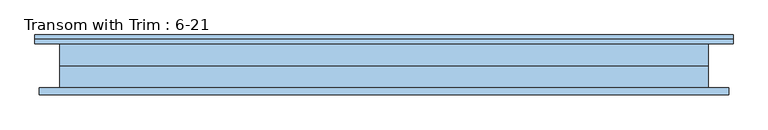
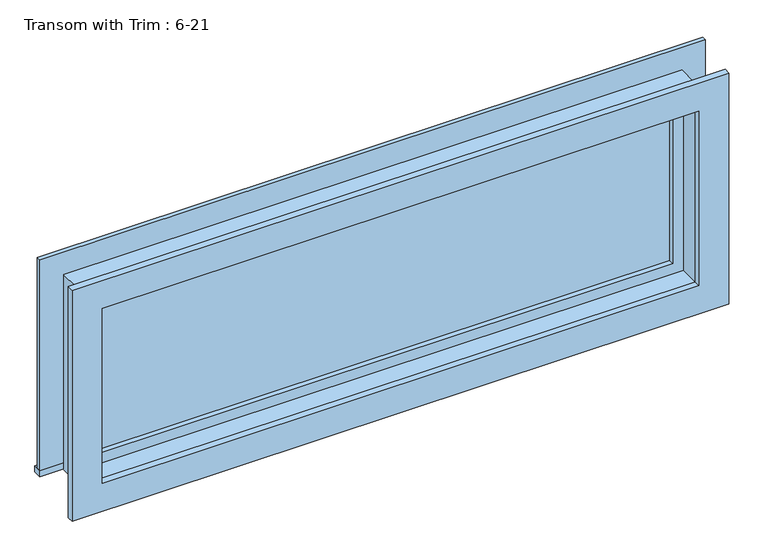
"""IFC4 building model written with IfcOpenShell, lengths in millimetres: window geometry, Transom with Trim : 6-21."""

from ifc_helpers import new_model, si_unit, frame, origin, place, context, project, spatial, polyline, outline, extrude, source, transform, mapped, element, save


def transom_with_trim_6_21_62466a67(model_context):
    return source(origin(), model_context, "Body", "SweptSolid", [
        extrude(outline(polyline([(-1022.35, 87.3125), (946.15, 87.3125), (946.15, 61.9125), (-1022.35, 61.9125), (-1022.35, 87.3125)])), frame((0.0, 0.0, 2159.0), z_axis=(0.0, 0.0, 1.0), x_axis=(1.0, 0.0, 0.0)), (0.0, 0.0, 1.0), 19.05),
        extrude(outline(polyline([(2749.55, -933.45), (2749.55, 857.25), (2178.05, 857.25), (2178.05, 946.15), (2838.45, 946.15), (2838.45, -1022.35), (2178.05, -1022.35), (2178.05, -933.45), (2749.55, -933.45)])), frame((0.0, 61.9125, 0.0), z_axis=(0.0, 1.0, 0.0), x_axis=(0.0, 0.0, 1.0)), (0.0, 0.0, 1.0), 12.7),
        extrude(outline(polyline([(2825.75, 933.45), (2825.75, -1009.65), (2101.85, -1009.65), (2101.85, 933.45), (2825.75, 933.45)]), holes=[polyline([(2736.85, 844.55), (2190.75, 844.55), (2190.75, -920.75), (2736.85, -920.75), (2736.85, 844.55)])]), frame((0.0, -80.9625, 0.0), z_axis=(0.0, 1.0, 0.0), x_axis=(0.0, 0.0, 1.0)), (0.0, 0.0, 1.0), 19.05),
        extrude(outline(polyline([(812.8, 14.2875), (-889.0, 14.2875), (-889.0, 26.9875), (812.8, 26.9875), (812.8, 14.2875)])), frame((0.0, 0.0, 2222.5), z_axis=(0.0, 0.0, 1.0), x_axis=(1.0, 0.0, 0.0)), (0.0, 0.0, 1.0), 482.6),
        extrude(outline(polyline([(2749.55, -933.45), (2178.05, -933.45), (2178.05, 857.25), (2749.55, 857.25), (2749.55, -933.45)]), holes=[polyline([(2705.1, -889.0), (2705.1, 812.8), (2222.5, 812.8), (2222.5, -889.0), (2705.1, -889.0)])]), frame((0.0, -1.5875, 0.0), z_axis=(0.0, 1.0, 0.0), x_axis=(0.0, 0.0, 1.0)), (0.0, 0.0, 1.0), 44.45),
        extrude(outline(polyline([(2768.6, -952.5), (2159.0, -952.5), (2159.0, 876.3), (2768.6, 876.3), (2768.6, -952.5)]), holes=[polyline([(2736.85, -920.75), (2736.85, 844.55), (2190.75, 844.55), (2190.75, -920.75), (2736.85, -920.75)])]), frame((0.0, -61.9125, 0.0), z_axis=(0.0, 1.0, 0.0), x_axis=(0.0, 0.0, 1.0)), (0.0, 0.0, 1.0), 60.325),
        extrude(outline(polyline([(2768.6, 876.3), (2768.6, -952.5), (2159.0, -952.5), (2159.0, 876.3), (2768.6, 876.3)]), holes=[polyline([(2749.55, 857.25), (2178.05, 857.25), (2178.05, -933.45), (2749.55, -933.45), (2749.55, 857.25)])]), frame((0.0, -1.5875, 0.0), z_axis=(0.0, 1.0, 0.0), x_axis=(0.0, 0.0, 1.0)), (0.0, 0.0, 1.0), 63.5),
    ])


if __name__ == "__main__":
    model = new_model("IFC4")
    model_context = context("Model", 3, world=origin())
    ifc_project = project(units=[si_unit("LENGTHUNIT", "METRE", prefix="MILLI")], contexts=[model_context])
    site = spatial("IfcSite", under=ifc_project)
    building = spatial("IfcBuilding", under=site)
    placement = place(None, origin())
    transom_with_trim_6_21_shape = transom_with_trim_6_21_62466a67(model_context)
    element("IfcWindow", 1, ObjectType="Transom with Trim : 6-21", at=placement, inside=building, context=model_context, shape_type="MappedRepresentation", body=[
        mapped(transom_with_trim_6_21_shape, transform((0.0, 0.0, 0.0), x_axis=(1.0, 0.0, 0.0), y_axis=(0.0, 1.0, 0.0), z_axis=(0.0, 0.0, 1.0))),
    ])
    save(model, "model.ifc")
